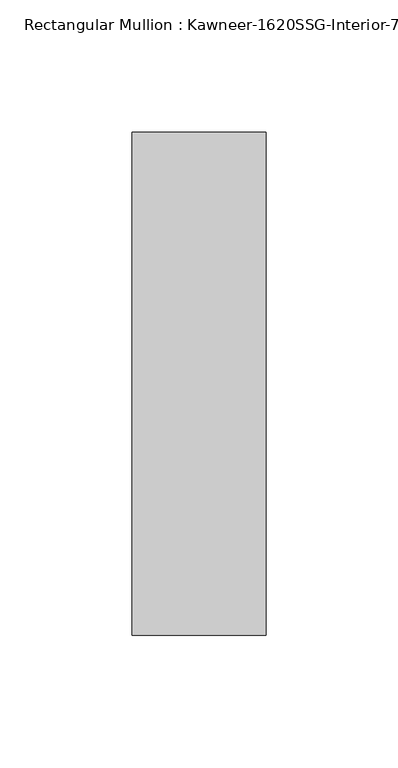
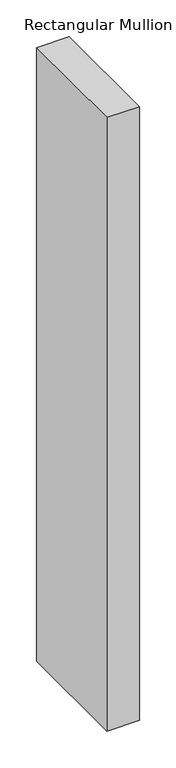
"""IFC4 building model written with IfcOpenShell, lengths in millimetres: member geometry."""

from ifc_helpers import new_model, si_unit, frame, origin, place, context, project, spatial, polyline, outline, extrude, source, transform, mapped, element, save


def member_426f2019(model_context):
    return source(origin(), model_context, "Body", "SweptSolid", [
        extrude(outline(polyline([(25.4, 152.4), (25.4, -38.1), (-25.4, -38.1), (-25.4, 152.4), (25.4, 152.4)])), frame((0.0, 0.0, -1016.0), z_axis=(0.0, 0.0, 1.0), x_axis=(1.0, 0.0, 0.0)), (0.0, 0.0, 1.0), 1016.0),
    ])


if __name__ == "__main__":
    model = new_model("IFC4")
    model_context = context("Model", 3, world=origin())
    ifc_project = project(units=[si_unit("LENGTHUNIT", "METRE", prefix="MILLI")], contexts=[model_context])
    site = spatial("IfcSite", under=ifc_project)
    building = spatial("IfcBuilding", under=site)
    placement = place(None, origin())
    member_shape = member_426f2019(model_context)
    element("IfcMember", 1, ObjectType="Rectangular Mullion : Kawneer-1620SSG-Interior-7.5\"-1\"Infill", at=placement, inside=building, context=model_context, shape_type="MappedRepresentation", body=[
        mapped(member_shape, transform((0.0, 0.0, 0.0), x_axis=(1.0, 0.0, 0.0), y_axis=(0.0, 1.0, 0.0), z_axis=(0.0, 0.0, 1.0))),
    ])
    save(model, "model.ifc")
